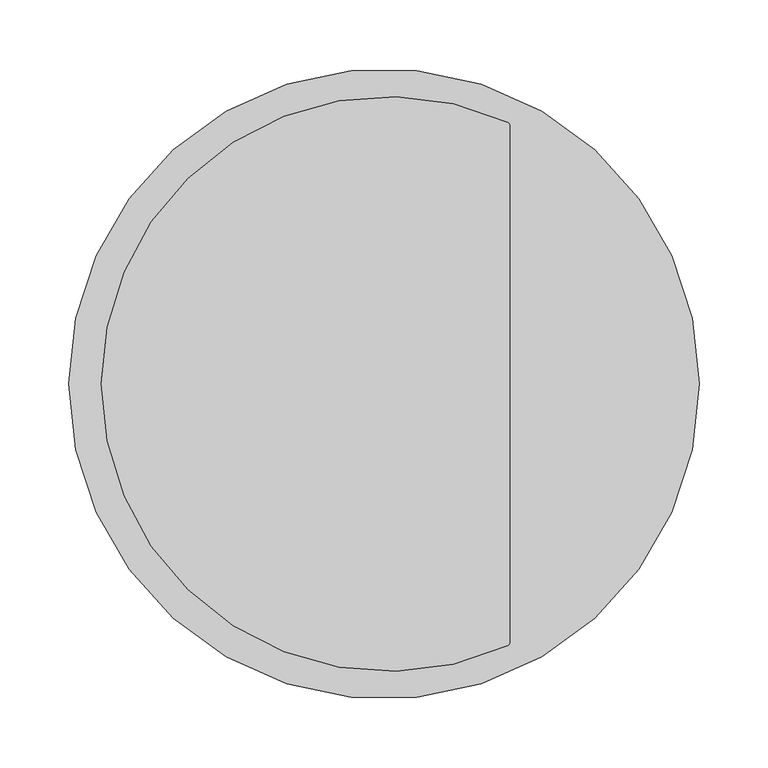
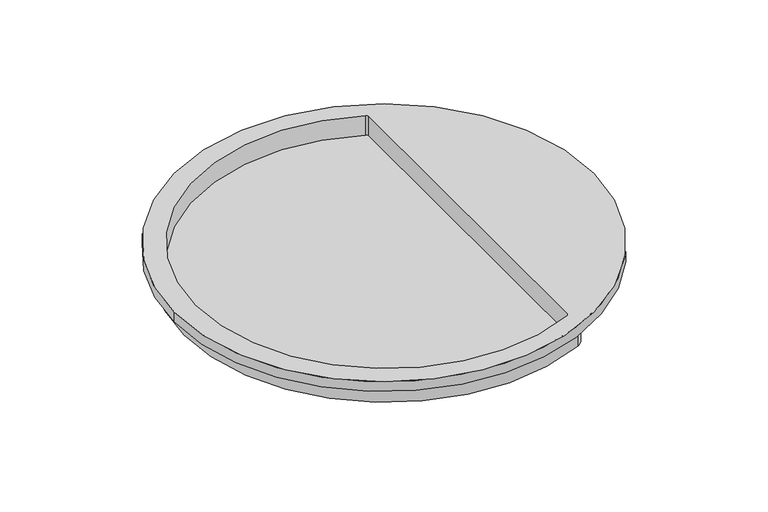
"""IFC4 building model written with IfcOpenShell, lengths in millimetres: furniture geometry."""

from ifc_helpers import new_model, si_unit, frame, origin, place, context, project, spatial, polyline, circle_curve, source, transform, mapped, element, save
from ifc_brep_helpers import plane_surface, cylinder_surface, revolved_surface, advanced_brep


def furniture_b6ea4e01(model_context):
    return source(origin(), model_context, "Body", "AdvancedBrep", [
        advanced_brep(
        [(-1257.3, -283.4299408, 760.3600565), (-800.1, -283.4299408, 760.3600565), (-937.2969022, -96.3538452, 760.3600565), (-937.2970747, -470.5060247, 760.3600565), (-939.1624437, -473.3983392, 760.3600565), (-939.1622685, -93.4615289, 760.3600565), (-1257.3, -283.4299408, 749.2996124), (-800.1, -283.4299408, 749.2996124), (-924.5969022, -96.353851, 749.2996124), (-933.9237339, -81.8922699, 749.2996124), (-933.9239198, -484.9676031, 749.2996124), (-924.5970747, -470.5060305, 749.2996124), (-937.2970747, -470.5060247, 737.7934397), (-937.2969022, -96.3538452, 737.7934397), (-939.1622685, -93.4615289, 737.7934397), (-939.1624437, -473.3983392, 737.7934397), (-924.5969022, -96.353851, 730.2496124), (-924.5970747, -470.5060305, 730.2496124), (-933.9239198, -484.9676031, 730.2496124), (-933.9237339, -81.8922699, 730.2496124)],
        [
            (0, 1, circle_curve(frame((-1028.7, -283.4299408, 760.3600565), z_axis=(0.0, 0.0, 1.0), x_axis=(1.0, 0.0, 0.0)), 228.6)),
            (1, 0, circle_curve(frame((-1028.7, -283.4299408, 760.3600565), z_axis=(0.0, 0.0, 1.0), x_axis=(1.0, 0.0, 0.0)), 228.6)),
            (2, 3),
            (3, 4, circle_curve(frame((-940.4720747, -470.5060232, 760.3600565), z_axis=(0.0, 0.0, -1.0), x_axis=(1.0, 0.0, 0.0)), 3.175)),
            (4, 5, circle_curve(frame((-1025.1795189, -283.4298944, 760.3600565), z_axis=(0.0, 0.0, -1.0), x_axis=(1.0, 0.0, 0.0)), 208.5352422)),
            (5, 2, circle_curve(frame((-940.4719022, -96.3538437, 760.3600565), z_axis=(0.0, 0.0, -1.0), x_axis=(1.0, 0.0, 0.0)), 3.175)),
            (6, 7, circle_curve(frame((-1028.7, -283.4299408, 749.2996124), z_axis=(0.0, 0.0, -1.0), x_axis=(1.0, 0.0, 0.0)), 228.6)),
            (7, 6, circle_curve(frame((-1028.7, -283.4299408, 749.2996124), z_axis=(0.0, 0.0, -1.0), x_axis=(1.0, 0.0, 0.0)), 228.6)),
            (8, 9, circle_curve(frame((-940.4719022, -96.3538437, 749.2996124), z_axis=(0.0, 0.0, 1.0), x_axis=(1.0, 0.0, 0.0)), 15.875)),
            (9, 10, circle_curve(frame((-1025.1795189, -283.4298944, 749.2996124), z_axis=(0.0, 0.0, 1.0), x_axis=(1.0, 0.0, 0.0)), 221.2352422)),
            (10, 11, circle_curve(frame((-940.4720747, -470.5060232, 749.2996124), z_axis=(0.0, 0.0, 1.0), x_axis=(1.0, 0.0, 0.0)), 15.875)),
            (11, 8),
            (12, 13),
            (13, 14, circle_curve(frame((-940.4719022, -96.3538437, 737.7934397), z_axis=(0.0, 0.0, 1.0), x_axis=(1.0, 0.0, 0.0)), 3.175)),
            (14, 15, circle_curve(frame((-1025.1795189, -283.4298944, 737.7934397), z_axis=(0.0, 0.0, 1.0), x_axis=(1.0, 0.0, 0.0)), 208.5352422)),
            (15, 12, circle_curve(frame((-940.4720747, -470.5060232, 737.7934397), z_axis=(0.0, 0.0, 1.0), x_axis=(1.0, 0.0, 0.0)), 3.175)),
            (16, 17),
            (17, 18, circle_curve(frame((-940.4720747, -470.5060232, 730.2496124), z_axis=(0.0, 0.0, -1.0), x_axis=(1.0, 0.0, 0.0)), 15.875)),
            (18, 19, circle_curve(frame((-1025.1795189, -283.4298944, 730.2496124), z_axis=(0.0, 0.0, -1.0), x_axis=(1.0, 0.0, 0.0)), 221.2352422)),
            (19, 16, circle_curve(frame((-940.4719022, -96.3538437, 730.2496124), z_axis=(0.0, 0.0, -1.0), x_axis=(1.0, 0.0, 0.0)), 15.875)),
            (0, 6),
            (7, 1),
            (19, 9),
            (8, 16),
            (18, 10),
            (17, 11),
            (12, 3),
            (2, 13),
            (5, 14),
            (4, 15),
        ],
        [
            plane_surface(frame((-800.1, -283.4299408, 760.3600565), z_axis=(0.0, 0.0, 1.0), x_axis=(0.0, 1.0, 0.0))),
            plane_surface(frame((-800.1, -283.4299408, 749.2996124), z_axis=(0.0, 0.0, -1.0), x_axis=(0.0, -1.0, 0.0))),
            plane_surface(frame((-937.2969022, -96.3538452, 737.7934397), z_axis=(0.0, 0.0, 1.0), x_axis=(-4.60990011355114e-07, -0.9999999999998938, 0.0))),
            plane_surface(frame((-924.5969022, -96.3538437, 730.2496124), z_axis=(0.0, 0.0, -1.0), x_axis=(0.0, -1.0, 0.0))),
            cylinder_surface(frame((-1028.7, -283.4299408, 749.2996124), z_axis=(0.0, 0.0, 1.0), x_axis=(1.0, 0.0, 0.0)), 228.6),
            cylinder_surface(frame((-940.4719022, -96.3538437, 730.2496124), z_axis=(0.0, 0.0, 1.0), x_axis=(1.0, 0.0, 0.0)), 15.875),
            cylinder_surface(frame((-1025.1795189, -283.4298944, 730.2496124), z_axis=(0.0, 0.0, 1.0), x_axis=(1.0, 0.0, 0.0)), 221.2352422),
            cylinder_surface(frame((-940.4720747, -470.5060232, 730.2496124), z_axis=(0.0, 0.0, 1.0), x_axis=(1.0, 0.0, 0.0)), 15.875),
            plane_surface(frame((-924.5970747, -470.5060305, 749.2996124), z_axis=(0.9999999999998939, -4.609900113551135e-07, 0.0), x_axis=(0.0, 0.0, -1.0))),
            plane_surface(frame((-937.2970747, -470.5060247, 768.3496124), z_axis=(-0.9999999999998938, 4.60990011355114e-07, 0.0), x_axis=(0.0, 0.0, -1.0))),
            revolved_surface(polyline([(-937.2969022000001, -96.3538437, 760.3600565), (-937.2969022000001, -96.3538437, 737.7934397)]), (-940.4719022, -96.3538437, 737.7934397), (0.0, 0.0, 1.0)),
            revolved_surface(polyline([(-816.6442767, -283.4298944, 760.3600565), (-816.6442767, -283.4298944, 737.7934397)]), (-1025.1795189, -283.4298944, 737.7934397), (0.0, 0.0, 1.0)),
            revolved_surface(polyline([(-937.2970747, -470.5060232, 760.3600565), (-937.2970747, -470.5060232, 737.7934397)]), (-940.4720747, -470.5060232, 737.7934397), (0.0, 0.0, 1.0)),
        ],
        [
            (0, [[1, 2], [3, 4, 5, 6]]),
            (1, [[7, 8], [9, 10, 11, 12]]),
            (2, [[13, 14, 15, 16]]),
            (3, [[17, 18, 19, 20]]),
            (4, [[-1, 21, -8, 22]]),
            (4, [[-2, -22, -7, -21]]),
            (5, [[-20, 23, -9, 24]]),
            (6, [[-19, 25, -10, -23]]),
            (7, [[-18, 26, -11, -25]]),
            (8, [[-17, -24, -12, -26]]),
            (9, [[-13, 27, -3, 28]]),
            (10, [[-14, -28, -6, 29]]),
            (11, [[-15, -29, -5, 30]]),
            (12, [[-16, -30, -4, -27]]),
        ],
    ),
    ])


if __name__ == "__main__":
    model = new_model("IFC4")
    model_context = context("Model", 3, world=origin())
    ifc_project = project(units=[si_unit("LENGTHUNIT", "METRE", prefix="MILLI")], contexts=[model_context])
    site = spatial("IfcSite", under=ifc_project)
    building = spatial("IfcBuilding", under=site)
    placement = place(None, origin())
    furniture_shape = furniture_b6ea4e01(model_context)
    element("IfcFurniture", 1, at=placement, inside=building, context=model_context, shape_type="MappedRepresentation", body=[
        mapped(furniture_shape, transform((0.0, 0.0, 0.0), x_axis=(1.0, 0.0, 0.0), y_axis=(0.0, 1.0, 0.0), z_axis=(0.0, 0.0, 1.0))),
    ])
    save(model, "model.ifc")
